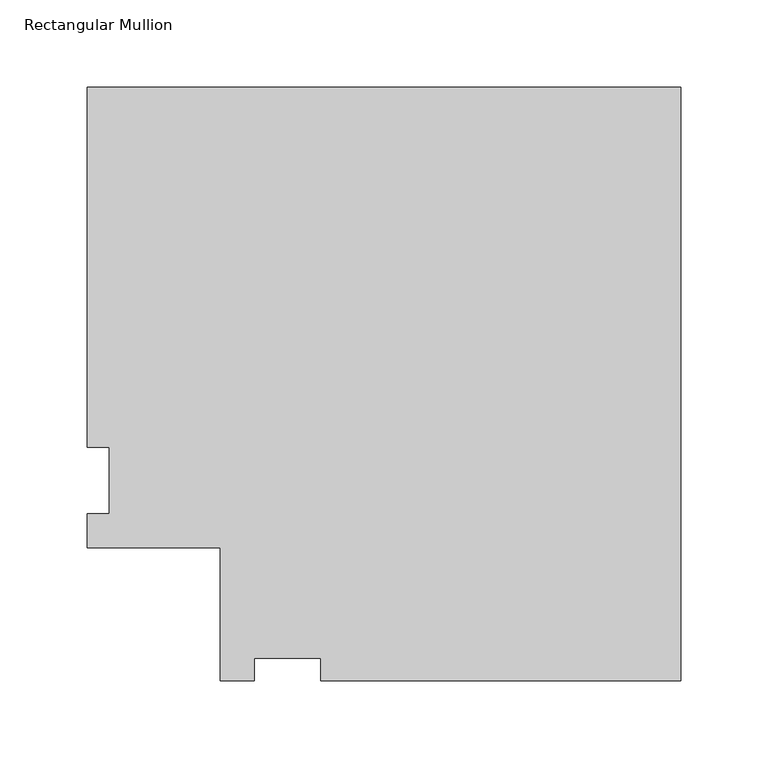
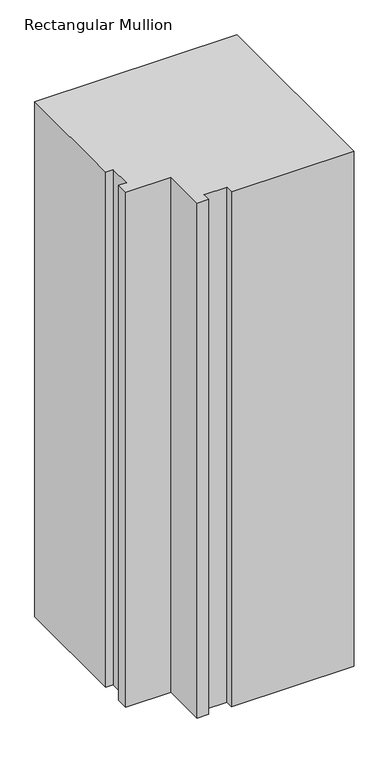
"""IFC4 building model written with IfcOpenShell, lengths in millimetres: member geometry, Rectangular Mullion."""

from ifc_helpers import new_model, si_unit, frame, origin, place, context, project, spatial, polyline, outline, extrude, source, transform, mapped, element, save


def rectangular_mullion_5b9d21d8(model_context):
    return source(origin(), model_context, "Body", "SweptSolid", [
        extrude(outline(polyline([(-340.2076, 264.0210938), (0.0, 264.0210938), (0.0, -76.1865063), (-206.375, -76.1865063), (-206.375, -63.4865062), (-244.475, -63.4865062), (-244.475, -76.1865063), (-264.0076, -76.1865063), (-264.0076, 0.0134938), (-340.2076, 0.0134938), (-340.2076, 19.5460938), (-327.5076, 19.5460938), (-327.5076, 57.6460938), (-340.2076, 57.6460938), (-340.2076, 264.0210938)])), frame((0.0, 0.0, -914.4), z_axis=(0.0, 0.0, 1.0), x_axis=(1.0, 0.0, 0.0)), (0.0, 0.0, 1.0), 914.4),
    ])


if __name__ == "__main__":
    model = new_model("IFC4")
    model_context = context("Model", 3, world=origin())
    ifc_project = project(units=[si_unit("LENGTHUNIT", "METRE", prefix="MILLI")], contexts=[model_context])
    site = spatial("IfcSite", under=ifc_project)
    building = spatial("IfcBuilding", under=site)
    placement = place(None, origin())
    rectangular_mullion_shape = rectangular_mullion_5b9d21d8(model_context)
    element("IfcMember", 1, ObjectType="Rectangular Mullion", at=placement, inside=building, context=model_context, shape_type="MappedRepresentation", body=[
        mapped(rectangular_mullion_shape, transform((0.0, 0.0, 0.0), x_axis=(1.0, 0.0, 0.0), y_axis=(0.0, 1.0, 0.0), z_axis=(0.0, 0.0, 1.0))),
    ])
    save(model, "model.ifc")
